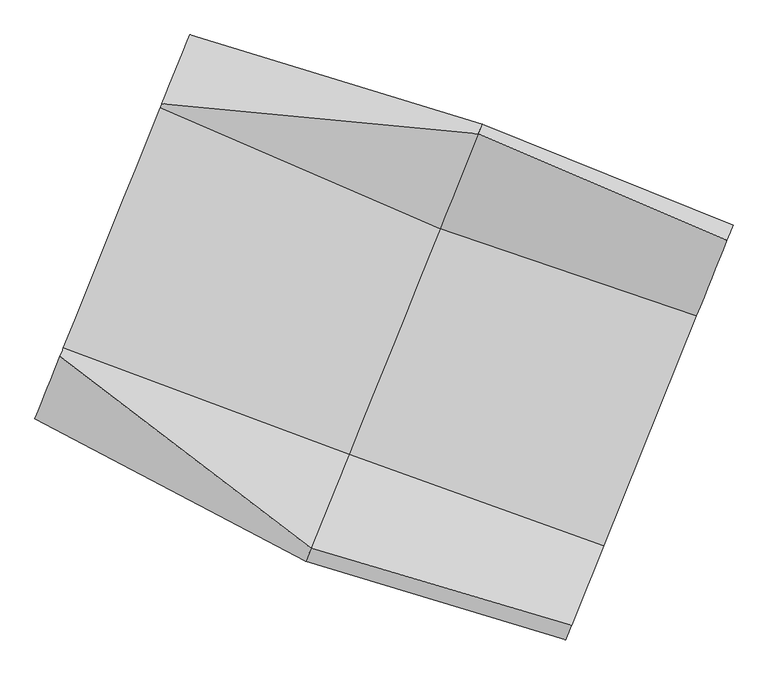
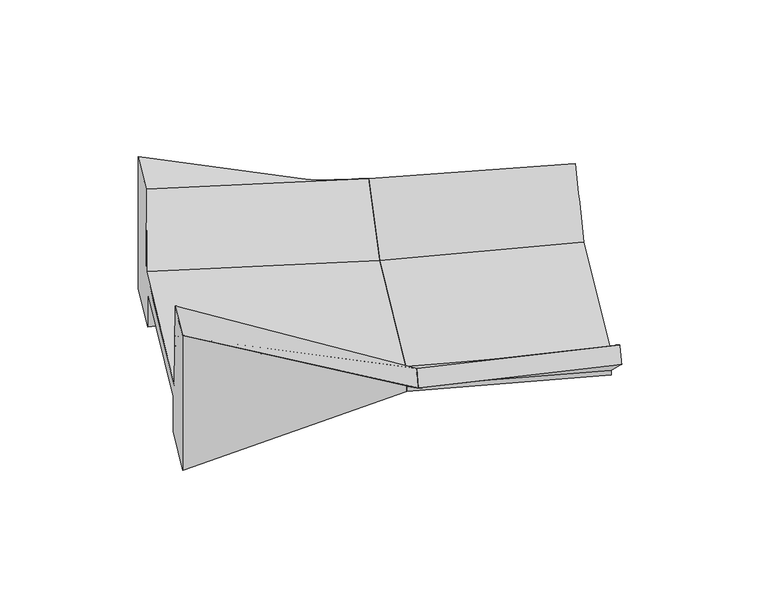
"""IFC4 building model written with IfcOpenShell, lengths in millimetres: geographic element geometry."""

import ifcopenshell
import ifcopenshell.guid

model = None  # the IFC model being written
_history = None  # IfcOwnerHistory: only IFC2X3 demands one
_inside = {}  # id of a spatial element -> (the spatial element, [elements in it])
_under = {}  # id of a project, library or spatial element -> (it, [spatial elements below it])
_declared = {}  # id of a project -> (the project, [libraries it declares])
_typed = {}  # id of a type object -> (the type object, [elements of that type])
_made_of = {}  # id of a material, layer set ... -> (it, [elements and type objects made of it])


def new_model(schema):
    """Start an empty IFC model of exactly this schema.

    Asked for "IFC4X3", IfcOpenShell would pick the latest addendum, in which some entities
    have other attributes; the version numbers below select the first issue.
    IFC2X3 requires an IfcOwnerHistory on every rooted entity: one is made here for all.
    """
    global model, _history
    if schema == "IFC4X3":
        model = ifcopenshell.file(schema_version=(4, 3, 0, 0))
    else:
        model = ifcopenshell.file(schema=schema)
    _inside.clear()
    _under.clear()
    _declared.clear()
    _typed.clear()
    _made_of.clear()
    _history = None
    if model.schema == "IFC2X3":
        org = make("IfcOrganization", Name="unknown")
        user = make(
            "IfcPersonAndOrganization",
            ThePerson=make("IfcPerson", FamilyName="unknown"),
            TheOrganization=org,
        )
        app = make(
            "IfcApplication",
            ApplicationDeveloper=org,
            Version="unknown",
            ApplicationFullName="unknown",
            ApplicationIdentifier="unknown",
        )
        _history = make(
            "IfcOwnerHistory",
            OwningUser=user,
            OwningApplication=app,
            ChangeAction="ADDED",
            CreationDate=0,
        )
    return model


def make(cls, **values):
    """One entity of the class cls with the attributes given. An attribute that is None is left unset."""
    return model.create_entity(
        cls, **{name: value for name, value in values.items() if value is not None}
    )


def rooted(cls, **values):
    """An entity with a GlobalId (a new one), such as an element, a storey or a relation."""
    return make(cls, GlobalId=ifcopenshell.guid.new(), OwnerHistory=_history, **values)


def si_unit(unit_type, name, prefix=None):
    """IfcSIUnit, for example si_unit("LENGTHUNIT", "METRE", prefix="MILLI")."""
    return make("IfcSIUnit", UnitType=unit_type, Prefix=prefix, Name=name)


def assignment(units):
    """IfcUnitAssignment: the units of a project."""
    return None if units is None else make("IfcUnitAssignment", Units=units)


def point(xyz):
    """IfcCartesianPoint."""
    return None if xyz is None else make("IfcCartesianPoint", Coordinates=xyz)


def direction(xyz):
    """IfcDirection."""
    return None if xyz is None else make("IfcDirection", DirectionRatios=xyz)


def frame(location, z_axis=None, x_axis=None):
    """IfcAxis2Placement3D, a coordinate frame: its origin and axes. An axis left out is left unset."""
    return make(
        "IfcAxis2Placement3D",
        Location=point(location),
        Axis=direction(z_axis),
        RefDirection=direction(x_axis),
    )


def origin():
    """The frame at (0, 0, 0) with its axes left unset."""
    return frame((0.0, 0.0, 0.0))


def place(relative_to, where):
    """IfcLocalPlacement: puts the frame where relative to a parent placement (None: the world)."""
    return make(
        "IfcLocalPlacement", PlacementRelTo=relative_to, RelativePlacement=where
    )


def context(
    kind, dimensions, precision=None, world=None, true_north=None, identifier=None
):
    """IfcGeometricRepresentationContext, for example the 3D "Model" context."""
    return make(
        "IfcGeometricRepresentationContext",
        ContextIdentifier=identifier,
        ContextType=kind,
        CoordinateSpaceDimension=dimensions,
        Precision=precision,
        WorldCoordinateSystem=world,
        TrueNorth=true_north,
    )


def project(units=None, contexts=None):
    """IfcProject with its units and contexts."""
    return rooted(
        "IfcProject",
        Name="project",
        RepresentationContexts=contexts,
        UnitsInContext=assignment(units),
    )


def spatial(cls, under=None, at=None, **own):
    """A site, building, storey or space (cls), placed at a placement, below another one or the project."""
    s = rooted(cls, ObjectPlacement=at, **own)
    if under is not None:
        _under.setdefault(under.id(), (under, []))[1].append(s)
    return s


def shape(context_of_items, identifier, shape_type, items):
    """IfcShapeRepresentation: the items that make up one representation, for example the "Body"."""
    return make(
        "IfcShapeRepresentation",
        ContextOfItems=context_of_items,
        RepresentationIdentifier=identifier,
        RepresentationType=shape_type,
        Items=items,
    )


def source(mapping_origin, context_of_items, identifier, shape_type, items):
    """IfcRepresentationMap: a shape defined once, which mapped items show again and again."""
    return make(
        "IfcRepresentationMap",
        MappingOrigin=mapping_origin,
        MappedRepresentation=shape(context_of_items, identifier, shape_type, items),
    )


def transform(
    local_origin,
    x_axis=None,
    y_axis=None,
    z_axis=None,
    scale=None,
    scale2=None,
    scale3=None,
    uniform=True,
):
    """IfcCartesianTransformationOperator3D, or its non-uniform kind. x_axis, y_axis, z_axis: its Axis1, 2, 3."""
    if uniform:
        return make(
            "IfcCartesianTransformationOperator3D",
            Axis1=direction(x_axis),
            Axis2=direction(y_axis),
            LocalOrigin=point(local_origin),
            Scale=scale,
            Axis3=direction(z_axis),
        )
    return make(
        "IfcCartesianTransformationOperator3DnonUniform",
        Axis1=direction(x_axis),
        Axis2=direction(y_axis),
        LocalOrigin=point(local_origin),
        Scale=scale,
        Axis3=direction(z_axis),
        Scale2=scale2,
        Scale3=scale3,
    )


def mapped(mapping_source, mapping_target):
    """IfcMappedItem: shows the shape of a source again, moved by a transform."""
    return make(
        "IfcMappedItem", MappingSource=mapping_source, MappingTarget=mapping_target
    )


def made_of(thing, what):
    """Note that an element or type object is made of a material, layer set ...; save() writes the relation."""
    if what is not None:
        _made_of.setdefault(what.id(), (what, []))[1].append(thing)
    return thing


def element(
    cls,
    number,
    at=None,
    inside=None,
    cuts=None,
    type_object=None,
    material=None,
    context=None,
    identifier="Body",
    shape_type=None,
    held_by="IfcProductDefinitionShape",
    body=None,
    shapes=None,
    **own,
):
    """One element of the class cls, such as IfcWall. Its Tag is "e" and its number.

    at: its placement. inside: the storey or other place that contains it. cuts: it is an
    opening in that element (IfcRelVoidsElement). A single representation is given by context,
    identifier, shape_type and body (its items); several are given by shapes. held_by: the class
    of the entity that holds the representations. save() writes the other relations.
    """
    e = rooted(cls, Tag="e%d" % number, ObjectPlacement=at, **own)
    if body is not None:
        shapes = [shape(context, identifier, shape_type, body)]
    if shapes is not None:
        e.Representation = make(held_by, Representations=shapes)
    if inside is not None:
        _inside.setdefault(inside.id(), (inside, []))[1].append(e)
    if cuts is not None:
        rooted(
            "IfcRelVoidsElement", RelatingBuildingElement=cuts, RelatedOpeningElement=e
        )
    if type_object is not None:
        _typed.setdefault(type_object.id(), (type_object, []))[1].append(e)
    return made_of(e, material)


def aggregate(whole, parts):
    """IfcRelAggregates: a whole, such as a stair, and the parts it consists of."""
    return rooted("IfcRelAggregates", RelatingObject=whole, RelatedObjects=parts)


def save(model, path):
    """Write the relations noted so far, then the file.

    IfcRelAggregates (storeys below a building ...), IfcRelContainedInSpatialStructure (elements
    in a storey), IfcRelDefinesByType, IfcRelAssociatesMaterial and IfcRelDeclares: one each for
    every whole, place, type object, material and project.
    """
    for whole, parts in _under.values():
        aggregate(whole, parts)
    for where, things in _inside.values():
        rooted(
            "IfcRelContainedInSpatialStructure",
            RelatedElements=things,
            RelatingStructure=where,
        )
    for kind, things in _typed.values():
        rooted("IfcRelDefinesByType", RelatedObjects=things, RelatingType=kind)
    for what, things in _made_of.values():
        rooted("IfcRelAssociatesMaterial", RelatedObjects=things, RelatingMaterial=what)
    for by, libraries in _declared.values():
        rooted("IfcRelDeclares", RelatingContext=by, RelatedDefinitions=libraries)
    model.write(path)


def plane_surface(at):
    """IfcPlane: the flat surface through the origin of the frame at, square to its z axis."""
    return make("IfcPlane", Position=at)


def spline_surface(u_degree, v_degree, points, u_multiplicities, v_multiplicities, u_knots, v_knots, weights=None):
    """IfcBSplineSurfaceWithKnots; with weights, IfcRationalBSplineSurfaceWithKnots. points: one row for each step in u."""
    own = dict(
        UDegree=u_degree,
        VDegree=v_degree,
        ControlPointsList=[[point(p) for p in row] for row in points],
        SurfaceForm="UNSPECIFIED",
        UClosed=False,
        VClosed=False,
        SelfIntersect=False,
        UMultiplicities=u_multiplicities,
        VMultiplicities=v_multiplicities,
        UKnots=u_knots,
        VKnots=v_knots,
        KnotSpec="UNSPECIFIED",
    )
    if weights is None:
        return make("IfcBSplineSurfaceWithKnots", **own)
    return make("IfcRationalBSplineSurfaceWithKnots", WeightsData=weights, **own)


def advanced_brep(points, edges, surfaces, faces):
    """IfcAdvancedBrep: a solid bounded by faces that lie on surfaces and meet in shared edges.

    An edge is (start, end): straight between two places in points (the first is 0);
    or (start, end, curve); or (start, end, curve, False) where it runs against its curve.
    A face is (place in surfaces, loops), or (place, loops, False) where it looks against
    its surface's normal. A loop lists edges by number (the first is 1), with a minus sign
    where the edge is run from its end to its start. The first loop is the outer one.
    """
    corners = [point(p) for p in points]
    vertices = [make("IfcVertexPoint", VertexGeometry=c) for c in corners]
    made = []
    for start, end, *more in edges:
        made.append(
            make(
                "IfcEdgeCurve",
                EdgeStart=vertices[start],
                EdgeEnd=vertices[end],
                EdgeGeometry=more[0] if more else make("IfcPolyline", Points=[corners[start], corners[end]]),
                SameSense=more[1] if len(more) > 1 else True,
            )
        )
    hull = []
    for where, loops, *sense in faces:
        bounds = []
        for j, loop in enumerate(loops):
            ring = [make("IfcOrientedEdge", EdgeElement=made[abs(k) - 1], Orientation=k > 0) for k in loop]
            bounds.append(
                make(
                    "IfcFaceOuterBound" if j == 0 else "IfcFaceBound",
                    Bound=make("IfcEdgeLoop", EdgeList=ring),
                    Orientation=True,
                )
            )
        hull.append(make("IfcAdvancedFace", Bounds=bounds, FaceSurface=surfaces[where], SameSense=sense[0] if sense else True))
    return make("IfcAdvancedBrep", Outer=make("IfcClosedShell", CfsFaces=hull))


def geographic_element_fa4feba6(model_context):
    return source(origin(), model_context, "Body", "AdvancedBrep", [
        advanced_brep(
        [(26862.036231, 3250.4952931, -1498.3641732), (27270.8976846, 4263.6897595, -1493.9202946), (27270.8976846, 4263.6897595, -4589.2330855), (26784.4121528, 3058.1360336, -4589.2330855), (26784.4121528, 3058.1360336, -3789.2330855), (25474.6650808, -187.5318419, -3789.2330855), (25474.6650808, -187.5318419, -4603.4686152), (24988.187597, -1393.065624, -4608.7560955), (24988.187597, -1393.065624, -1458.7300406), (25357.6065943, -477.6130166, -1454.7148586), (25408.6196588, -351.1981779, -3404.176532), (26837.3341354, 3189.2813383, -3388.6479551), (31528.3032308, 2806.0842738, -2614.9412286), (30963.3745492, 1406.1415572, -3489.083784), (29620.9425687, -1920.522382, -3489.083784), (29061.5897755, -3306.647559, -2492.5969429), (28983.748029, -3499.5462198, -2804.6158035), (29579.2559951, -2023.8253599, -3865.513075), (29579.2559951, -2023.8253599, -3992.5969434), (29803.7859218, -1467.4205503, -3992.5969434), (29803.7859218, -1467.4205503, -3810.0946796), (30782.5032193, 957.9265715, -3730.116583), (30782.5032193, 957.9265715, -3989.083784), (31007.0331461, 1514.3313813, -3989.0837842), (31007.0331461, 1514.3313813, -3856.9676452), (31586.3046683, 2949.8169122, -2964.2196261)],
        [
            (0, 1),
            (1, 2),
            (2, 3),
            (3, 4),
            (4, 5),
            (5, 6),
            (6, 7),
            (7, 8),
            (8, 9),
            (9, 10),
            (10, 11),
            (11, 0),
            (12, 13),
            (13, 14),
            (14, 15),
            (15, 16),
            (16, 17),
            (17, 18),
            (18, 19),
            (19, 20),
            (20, 21),
            (21, 22),
            (22, 23),
            (23, 24),
            (24, 25),
            (25, 12),
            (25, 1),
            (0, 12),
            (24, 1),
            (23, 2),
            (22, 3),
            (21, 4),
            (20, 5),
            (19, 6),
            (18, 7),
            (17, 8),
            (16, 8),
            (15, 9),
            (14, 10),
            (13, 11),
        ],
        [
            plane_surface(frame((26125.1601375, 1424.4518409, -3222.3092423), z_axis=(-0.9273413491560121, 0.37421654445722663, 0.0), x_axis=(0.37421344913701854, 0.9273336786816293, 0.004067292437579858))),
            plane_surface(frame((30292.1013847, -257.3320952, -3505.7567576), z_axis=(0.9273413491560121, -0.3742165444572267, 0.0), x_axis=(0.15178701199138797, 0.3761415003406945, -0.9140450069401275))),
            spline_surface(1, 1, [[(31528.3032308, 2806.0842738, -2614.9412286), (26862.036231, 3250.4952931, -1498.3641732)], [(31586.3046683, 2949.8169122, -2964.2196261), (27270.8976846, 4263.6897595, -1493.9202946)]], [2, 2], [2, 2], [0.0, 1.0], [0.0, 1.0]),
            plane_surface(frame((31296.6689072, 2232.0741467, -3410.5936356), z_axis=(-0.11097068294057896, 0.556758092979013, -0.8232289678030495), x_axis=(-0.3241685949189564, -0.8033181499288723, -0.49959450763906876))),
            spline_surface(1, 1, [[(31007.0331461, 1514.3313813, -3856.9676452), (27270.8976846, 4263.6897595, -1493.9202946)], [(31007.0331461, 1514.3313813, -3989.0837842), (27270.8976846, 4263.6897595, -4589.2330855)]], [2, 2], [2, 2], [0.0, 1.0], [0.0, 1.0]),
            spline_surface(1, 1, [[(31007.0331461, 1514.3313813, -3989.0837842), (27270.8976846, 4263.6897595, -4589.2330855)], [(30782.5032193, 957.9265715, -3989.083784), (26784.4121528, 3058.1360336, -4589.2330855)]], [2, 2], [2, 2], [0.0, 1.0], [0.0, 1.0]),
            plane_surface(frame((30782.5032193, 957.9265715, -3859.6001835), z_axis=(-0.465044208780158, -0.8852874583320589, 0.0), x_axis=(0.0, 0.0, 1.0))),
            spline_surface(1, 1, [[(30782.5032193, 957.9265715, -3730.116583), (26784.4121528, 3058.1360336, -3789.2330855)], [(29803.7859218, -1467.4205503, -3810.0946796), (25474.6650808, -187.5318419, -3789.2330855)]], [2, 2], [2, 2], [0.0, 1.0], [0.0, 1.0]),
            plane_surface(frame((29803.7859218, -1467.4205503, -3901.3458115), z_axis=(0.28351529016628557, 0.9589677159539454, 0.0), x_axis=(0.0, 0.0, -1.0))),
            spline_surface(1, 1, [[(29803.7859218, -1467.4205503, -3992.5969434), (25474.6650808, -187.5318419, -4603.4686152)], [(29579.2559951, -2023.8253599, -3992.5969434), (24988.187597, -1393.065624, -4608.7560955)]], [2, 2], [2, 2], [0.0, 1.0], [0.0, 1.0]),
            spline_surface(1, 1, [[(29579.2559951, -2023.8253599, -3992.5969434), (24988.187597, -1393.065624, -4608.7560955)], [(29579.2559951, -2023.8253599, -3865.513075), (24988.187597, -1393.065624, -1458.7300406)]], [2, 2], [2, 2], [0.0, 1.0], [0.0, 1.0]),
            plane_surface(frame((29281.5020121, -2761.6857898, -3335.0644393), z_axis=(-0.46967164381608073, -0.3824876096585113, -0.7956832130017696), x_axis=(-0.31136698592197987, -0.771594642418418, 0.5547001963845474))),
            spline_surface(1, 1, [[(28983.748029, -3499.5462198, -2804.6158035), (24988.187597, -1393.065624, -1458.7300406)], [(29061.5897755, -3306.647559, -2492.5969429), (25357.6065943, -477.6130166, -1454.7148586)]], [2, 2], [2, 2], [0.0, 1.0], [0.0, 1.0]),
            spline_surface(1, 1, [[(29061.5897755, -3306.647559, -2492.5969429), (25357.6065943, -477.6130166, -1454.7148586)], [(29620.9425687, -1920.522382, -3489.083784), (25408.6196588, -351.1981779, -3404.176532)]], [2, 2], [2, 2], [0.0, 1.0], [0.0, 1.0]),
            spline_surface(1, 1, [[(29620.9425687, -1920.522382, -3489.083784), (25408.6196588, -351.1981779, -3404.176532)], [(30963.3745492, 1406.1415572, -3489.083784), (26837.3341354, 3189.2813383, -3388.6479551)]], [2, 2], [2, 2], [0.0, 1.0], [0.0, 1.0]),
            spline_surface(1, 1, [[(30963.3745492, 1406.1415572, -3489.083784), (26837.3341354, 3189.2813383, -3388.6479551)], [(31528.3032308, 2806.0842738, -2614.9412286), (26862.036231, 3250.4952931, -1498.3641732)]], [2, 2], [2, 2], [0.0, 1.0], [0.0, 1.0]),
        ],
        [
            (0, [[1, 2, 3, 4, 5, 6, 7, 8, 9, 10, 11, 12]]),
            (1, [[13, 14, 15, 16, 17, 18, 19, 20, 21, 22, 23, 24, 25, 26]]),
            (2, [[-26, 27, -1, 28]]),
            (3, [[-25, 29, -27]]),
            (4, [[-24, 30, -2, -29]]),
            (5, [[-23, 31, -3, -30]]),
            (6, [[-22, 32, -4, -31]]),
            (7, [[-21, 33, -5, -32]]),
            (8, [[-20, 34, -6, -33]]),
            (9, [[-19, 35, -7, -34]]),
            (10, [[-18, 36, -8, -35]]),
            (11, [[-17, 37, -36]]),
            (12, [[-16, 38, -9, -37]]),
            (13, [[-15, 39, -10, -38]]),
            (14, [[-14, 40, -11, -39]]),
            (15, [[-13, -28, -12, -40]]),
        ],
    ),
        advanced_brep(
        [(29061.5897755, -3306.647559, -2492.5969429), (29620.9425687, -1920.522382, -3489.083784), (30963.3745492, 1406.1415572, -3489.083784), (31528.3032308, 2806.0842738, -2614.9412286), (31586.3046683, 2949.8169122, -2964.2196261), (31007.0331461, 1514.3313813, -3856.9676452), (31007.0331461, 1514.3313813, -3989.0837842), (30782.5032193, 957.9265715, -3989.083784), (30782.5032193, 957.9265715, -3730.116583), (29803.7859218, -1467.4205503, -3810.0946796), (29803.7859218, -1467.4205503, -3992.5969434), (29579.2559951, -2023.8253599, -3992.5969434), (29579.2559951, -2023.8253599, -3865.513075), (28983.748029, -3499.5462198, -2804.6158035), (32902.3728843, -4438.7783654, -2597.3591703), (32814.0227848, -4657.7176445, -2895.0928265), (33330.5153973, -3377.8037467, -3989.8313226), (33330.5153973, -3377.8037467, -4097.3591708), (33555.0160814, -2821.4714028, -4097.3591708), (33555.0160814, -2821.4714028, -3817.3085608), (34562.4846451, -324.8761266, -3817.3085608), (34562.4846451, -324.8761266, -4097.3591708), (34786.9853291, 231.4562169, -4097.3591708), (34786.9853291, 231.4562169, -3991.9189815), (35282.6222049, 1459.687774, -2889.4327054), (35191.6655199, 1234.2891479, -2597.3591715), (34742.102667, 120.233052, -3597.359171), (33374.1683081, -3269.628013, -3597.359171)],
        [
            (0, 1),
            (1, 2),
            (2, 3),
            (3, 4),
            (4, 5),
            (5, 6),
            (6, 7),
            (7, 8),
            (8, 9),
            (9, 10),
            (10, 11),
            (11, 12),
            (12, 13),
            (13, 0),
            (14, 15),
            (15, 16),
            (16, 17),
            (17, 18),
            (18, 19),
            (19, 20),
            (20, 21),
            (21, 22),
            (22, 23),
            (23, 24),
            (24, 25),
            (25, 26),
            (26, 27),
            (27, 14),
            (27, 1),
            (0, 14),
            (26, 2),
            (25, 3),
            (24, 4),
            (23, 5),
            (22, 6),
            (21, 7),
            (20, 8),
            (19, 9),
            (18, 10),
            (17, 11),
            (16, 12),
            (15, 13),
        ],
        [
            plane_surface(frame((30292.1013847, -257.3320952, -3505.7567576), z_axis=(-0.9273413491559829, 0.3742165444572993, 0.0), x_axis=(0.31136698593500234, 0.7715946424506899, -0.554700196332347))),
            plane_surface(frame((34055.4969482, -1581.236012, -3584.2690232), z_axis=(0.9273413491560127, -0.3742165444572251, 0.0), x_axis=(0.29318751699581536, 0.7265443273251061, -0.6214293365375806))),
            spline_surface(1, 1, [[(32902.3728843, -4438.7783654, -2597.3591703), (29061.5897755, -3306.647559, -2492.5969429)], [(33374.1683081, -3269.628013, -3597.359171), (29620.9425687, -1920.522382, -3489.083784)]], [2, 2], [2, 2], [0.0, 1.0], [0.0, 1.0]),
            plane_surface(frame((34058.1354876, -1574.6974805, -3597.359171), z_axis=(0.02518485848585593, -0.010163022196521133, 0.9996311499162482), x_axis=(0.37421654445722535, 0.9273413491560126, 0.0))),
            spline_surface(1, 1, [[(34742.102667, 120.233052, -3597.359171), (30963.3745492, 1406.1415572, -3489.083784)], [(35191.6655199, 1234.2891479, -2597.3591715), (31528.3032308, 2806.0842738, -2614.9412286)]], [2, 2], [2, 2], [0.0, 1.0], [0.0, 1.0]),
            spline_surface(1, 1, [[(35191.6655199, 1234.2891479, -2597.3591715), (31528.3032308, 2806.0842738, -2614.9412286)], [(35282.6222049, 1459.687774, -2889.4327054), (31586.3046683, 2949.8169122, -2964.2196261)]], [2, 2], [2, 2], [0.0, 1.0], [0.0, 1.0]),
            spline_surface(1, 1, [[(35282.6222049, 1459.687774, -2889.4327054), (31586.3046683, 2949.8169122, -2964.2196261)], [(34786.9853291, 231.4562169, -3991.9189815), (31007.0331461, 1514.3313813, -3856.9676452)]], [2, 2], [2, 2], [0.0, 1.0], [0.0, 1.0]),
            spline_surface(1, 1, [[(34786.9853291, 231.4562169, -3991.9189815), (31007.0331461, 1514.3313813, -3856.9676452)], [(34786.9853291, 231.4562169, -4097.3591708), (31007.0331461, 1514.3313813, -3989.0837842)]], [2, 2], [2, 2], [0.0, 1.0], [0.0, 1.0]),
            spline_surface(1, 1, [[(34786.9853291, 231.4562169, -4097.3591708), (31007.0331461, 1514.3313813, -3989.0837842)], [(34562.4846451, -324.8761266, -4097.3591708), (30782.5032193, 957.9265715, -3989.083784)]], [2, 2], [2, 2], [0.0, 1.0], [0.0, 1.0]),
            plane_surface(frame((34562.4846451, -324.8761266, -3957.3338658), z_axis=(-0.321365762953557, -0.9469551448729123, 0.0), x_axis=(0.0, 0.0, 1.0))),
            spline_surface(1, 1, [[(34562.4846451, -324.8761266, -3817.3085608), (30782.5032193, 957.9265715, -3730.116583)], [(33555.0160814, -2821.4714028, -3817.3085608), (29803.7859218, -1467.4205503, -3810.0946796)]], [2, 2], [2, 2], [0.0, 1.0], [0.0, 1.0]),
            plane_surface(frame((33555.0160814, -2821.4714028, -3957.3338658), z_axis=(0.33952023382605506, 0.9405987512338622, 0.0), x_axis=(0.0, 0.0, -1.0))),
            plane_surface(frame((33442.7657393, -3099.6375747, -4097.3591708), z_axis=(-0.02436827118087057, 0.009833499006597147, -0.9996546852073184), x_axis=(-0.37421654445723, -0.9273413491560106, 0.0))),
            spline_surface(1, 1, [[(33330.5153973, -3377.8037467, -4097.3591708), (29579.2559951, -2023.8253599, -3992.5969434)], [(33330.5153973, -3377.8037467, -3989.8313226), (29579.2559951, -2023.8253599, -3865.513075)]], [2, 2], [2, 2], [0.0, 1.0], [0.0, 1.0]),
            spline_surface(1, 1, [[(33330.5153973, -3377.8037467, -3989.8313226), (29579.2559951, -2023.8253599, -3865.513075)], [(32814.0227848, -4657.7176445, -2895.0928265), (28983.748029, -3499.5462198, -2804.6158035)]], [2, 2], [2, 2], [0.0, 1.0], [0.0, 1.0]),
            spline_surface(1, 1, [[(32814.0227848, -4657.7176445, -2895.0928265), (28983.748029, -3499.5462198, -2804.6158035)], [(32902.3728843, -4438.7783654, -2597.3591703), (29061.5897755, -3306.647559, -2492.5969429)]], [2, 2], [2, 2], [0.0, 1.0], [0.0, 1.0]),
        ],
        [
            (0, [[1, 2, 3, 4, 5, 6, 7, 8, 9, 10, 11, 12, 13, 14]]),
            (1, [[15, 16, 17, 18, 19, 20, 21, 22, 23, 24, 25, 26, 27, 28]]),
            (2, [[-28, 29, -1, 30]]),
            (3, [[-27, 31, -2, -29]]),
            (4, [[-26, 32, -3, -31]]),
            (5, [[-25, 33, -4, -32]]),
            (6, [[-24, 34, -5, -33]]),
            (7, [[-23, 35, -6, -34]]),
            (8, [[-22, 36, -7, -35]]),
            (9, [[-21, 37, -8, -36]]),
            (10, [[-20, 38, -9, -37]]),
            (11, [[-19, 39, -10, -38]]),
            (12, [[-18, 40, -11, -39]]),
            (13, [[-17, 41, -12, -40]]),
            (14, [[-16, 42, -13, -41]]),
            (15, [[-15, -30, -14, -42]]),
        ],
    ),
    ])


if __name__ == "__main__":
    model = new_model("IFC4")
    model_context = context("Model", 3, world=origin())
    ifc_project = project(units=[si_unit("LENGTHUNIT", "METRE", prefix="MILLI")], contexts=[model_context])
    site = spatial("IfcSite", under=ifc_project)
    building = spatial("IfcBuilding", under=site)
    placement = place(None, origin())
    geographic_element_shape = geographic_element_fa4feba6(model_context)
    element("IfcGeographicElement", 1, at=placement, inside=building, context=model_context, shape_type="MappedRepresentation", body=[
        mapped(geographic_element_shape, transform((0.0, 0.0, 0.0), x_axis=(1.0, 0.0, 0.0), y_axis=(0.0, 1.0, 0.0), z_axis=(0.0, 0.0, 1.0))),
    ])
    save(model, "model.ifc")
